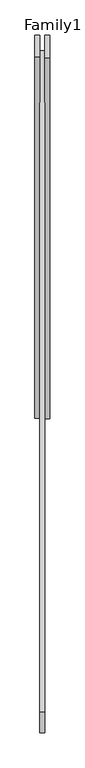
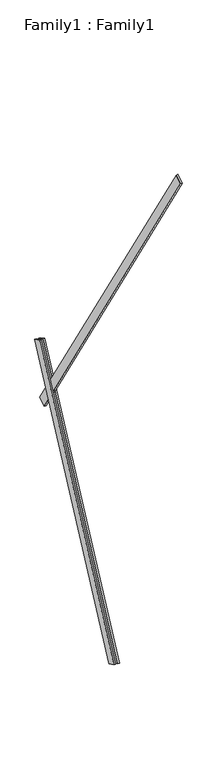
"""IFC4 building model written with IfcOpenShell, lengths in millimetres: proxy geometry, Family1 : Family1."""

from ifc_helpers import new_model, si_unit, frame, origin, place, context, project, spatial, polyline, outline, extrude, source, transform, mapped, element, save


def family1_family1_61e7fc0e(model_context):
    return source(origin(), model_context, "Body", "SweptSolid", [
        extrude(outline(polyline([(0.0, 0.0), (0.0, -20.0), (-100.0000001, -20.0), (-100.0000001, 0.0), (0.0, 0.0)])), frame((-30.0, 46.3241747, -22.5938096), z_axis=(0.0, 0.4383711467890692, 0.8987940462991711), x_axis=(0.0, 0.8987940462991711, -0.4383711467890692)), (0.0, 0.0, 1.0), 3300.0),
        extrude(outline(polyline([(0.0, 0.0), (0.0, -20.0), (-99.9999999, -20.0), (-99.9999999, 0.0), (0.0, 0.0)])), frame((10.0, 45.270232, -22.0797674), z_axis=(0.0, 0.4383711467890692, 0.8987940462991711), x_axis=(0.0, 0.8987940462991711, -0.4383711467890692)), (0.0, 0.0, 1.0), 3300.0),
        extrude(outline(polyline([(0.0, 0.0), (0.0, -100.0), (-20.0, -100.0), (-20.0, 0.0), (0.0, 0.0)])), frame((10.0, 1429.738154, 2287.2313417), z_axis=(0.0, -0.5299192642332035, 0.848048096156427), x_axis=(1.0, 0.0, 0.0)), (0.0, 0.0, 1.0), 5000.0),
    ])


if __name__ == "__main__":
    model = new_model("IFC4")
    model_context = context("Model", 3, world=origin())
    ifc_project = project(units=[si_unit("LENGTHUNIT", "METRE", prefix="MILLI")], contexts=[model_context])
    site = spatial("IfcSite", under=ifc_project)
    building = spatial("IfcBuilding", under=site)
    placement = place(None, origin())
    family1_family1_shape = family1_family1_61e7fc0e(model_context)
    element("IfcBuildingElementProxy", 1, Name="Family1 : Family1", ObjectType="Family1 : Family1", at=placement, inside=building, context=model_context, shape_type="MappedRepresentation", body=[
        mapped(family1_family1_shape, transform((0.0, 0.0, 0.0), x_axis=(1.0, 0.0, 0.0), y_axis=(0.0, 1.0, 0.0), z_axis=(0.0, 0.0, 1.0))),
    ])
    save(model, "model.ifc")
